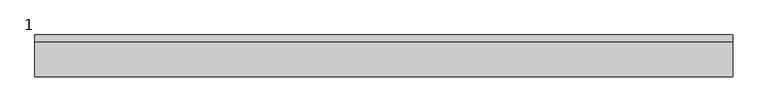
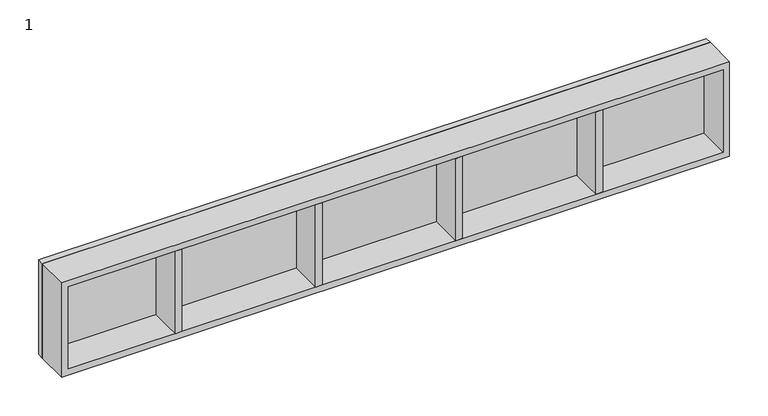
"""IFC4 building model written with IfcOpenShell, lengths in millimetres: proxy geometry, 1."""

from ifc_helpers import new_model, si_unit, frame, origin, place, context, project, spatial, polyline, outline, extrude, source, transform, mapped, element, save


def proxy_1_74568e42(model_context):
    return source(origin(), model_context, "Body", "SweptSolid", [
        extrude(outline(polyline([(1000.0, -10.0), (0.0, -10.0), (0.0, 0.0), (1000.0, 0.0), (1000.0, -10.0)])), frame((0.0, 0.0, 460.0), z_axis=(0.0, 0.0, 1.0), x_axis=(1.0, 0.0, 0.0)), (0.0, 0.0, 1.0), 150.0),
        extrude(outline(polyline([(810.0, -60.0), (800.0, -60.0), (800.0, -10.0), (810.0, -10.0), (810.0, -60.0)])), frame((0.0, 0.0, 470.0), z_axis=(0.0, 0.0, 1.0), x_axis=(1.0, 0.0, 0.0)), (0.0, 0.0, 1.0), 130.0),
        extrude(outline(polyline([(600.0, -60.0), (590.0, -60.0), (590.0, -10.0), (600.0, -10.0), (600.0, -60.0)])), frame((0.0, 0.0, 470.0), z_axis=(0.0, 0.0, 1.0), x_axis=(1.0, 0.0, 0.0)), (0.0, 0.0, 1.0), 130.0),
        extrude(outline(polyline([(390.0, -60.0), (380.0, -60.0), (380.0, -10.0), (390.0, -10.0), (390.0, -60.0)])), frame((0.0, 0.0, 470.0), z_axis=(0.0, 0.0, 1.0), x_axis=(1.0, 0.0, 0.0)), (0.0, 0.0, 1.0), 130.0),
        extrude(outline(polyline([(180.0, -60.0), (170.0, -60.0), (170.0, -10.0), (180.0, -10.0), (180.0, -60.0)])), frame((0.0, 0.0, 470.0), z_axis=(0.0, 0.0, 1.0), x_axis=(1.0, 0.0, 0.0)), (0.0, 0.0, 1.0), 130.0),
        extrude(outline(polyline([(610.0, 1000.0), (610.0, 0.0), (460.0, 0.0), (460.0, 1000.0), (610.0, 1000.0)]), holes=[polyline([(600.0, 990.378195), (470.0, 990.378195), (470.0, 10.0), (600.0, 10.0), (600.0, 990.378195)])]), frame((0.0, -60.0, 0.0), z_axis=(0.0, 1.0, 0.0), x_axis=(0.0, 0.0, 1.0)), (0.0, 0.0, 1.0), 50.0),
    ])


if __name__ == "__main__":
    model = new_model("IFC4")
    model_context = context("Model", 3, world=origin())
    ifc_project = project(units=[si_unit("LENGTHUNIT", "METRE", prefix="MILLI")], contexts=[model_context])
    site = spatial("IfcSite", under=ifc_project)
    building = spatial("IfcBuilding", under=site)
    placement = place(None, origin())
    proxy_1_shape = proxy_1_74568e42(model_context)
    element("IfcBuildingElementProxy", 1, Name="1", ObjectType="1", at=placement, inside=building, context=model_context, shape_type="MappedRepresentation", body=[
        mapped(proxy_1_shape, transform((0.0, 0.0, 0.0), x_axis=(1.0, 0.0, 0.0), y_axis=(0.0, 1.0, 0.0), z_axis=(0.0, 0.0, 1.0))),
    ])
    save(model, "model.ifc")
